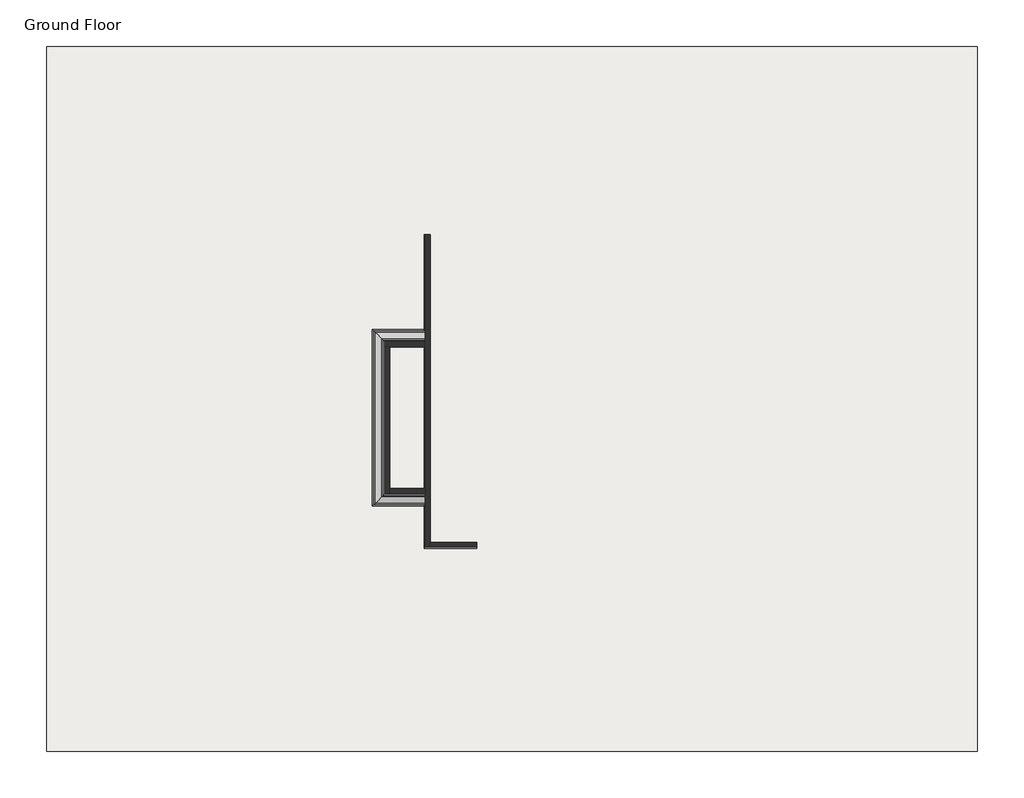
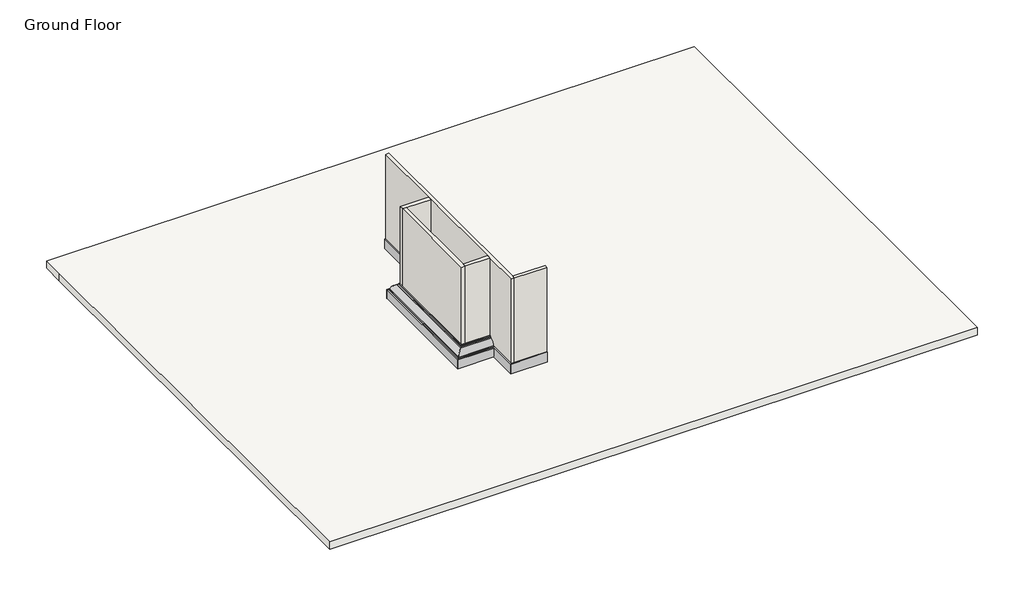
# One storey: 5 proxies, 5 walls, 1 slab.
"""IFC4 building model written with IfcOpenShell, lengths in millimetres."""

from ifc_helpers import new_model, si_unit, frame, origin, origin_with_axes, place, context, project, spatial, polyline, circle_curve, ellipse_curve, outline, extrude, faceted_brep, element, save
from ifc_brep_helpers import plane_surface, cylinder_surface, advanced_brep

model = new_model("IFC4")

# Units and contexts
model_context = context("Model", 3, world=origin())
ifc_project = project(units=[si_unit("LENGTHUNIT", "METRE", prefix="MILLI")], contexts=[model_context])

# Site, building, storey
site = spatial("IfcSite", under=ifc_project)
building = spatial("IfcBuilding", under=site)
storey = spatial("IfcBuildingStorey", under=building, Name="Ground Floor", Elevation=0.0)

# Proxies
placement = place(None, origin())
element("IfcBuildingElementProxy", 1, Name="Wall Sweeps", at=placement, inside=storey, context=model_context, shape_type="AdvancedBrep", body=[
    advanced_brep(
    [(-11875.3150154, 1300.3941233, 10.0), (-11535.3150154, 1640.3941233, 10.0), (-11535.3150154, 1640.3941233, 721.3186825), (-11571.6184873, 1604.0906514, 721.3186825), (-11571.6184873, 1604.0906514, 681.3186825), (-11611.6184873, 1564.0906514, 681.3186825), (-11611.6184873, 1564.0906514, 641.3186825), (-11795.3150154, 1380.3941233, 430.0), (-11835.3150154, 1340.3941233, 430.0), (-11835.3150154, 1340.3941233, 390.0), (-11875.3150154, 1300.3941233, 390.0), (-11875.3150154, 6232.7941233, 10.0), (-11875.3150154, 6232.7941233, 390.0), (-11835.3150154, 6192.7941233, 390.0), (-11835.3150154, 6192.7941233, 430.0), (-11795.3150154, 6152.7941233, 430.0), (-11611.6184873, 5969.0975951, 641.3186825), (-11611.6184873, 5969.0975951, 681.3186825), (-11571.6184873, 5929.0975951, 681.3186825), (-11571.6184873, 5929.0975951, 721.3186825), (-11535.3150154, 5892.7941233, 721.3186825), (-11535.3150154, 5892.7941233, 10.0)],
    [
        (0, 1),
        (1, 2),
        (2, 3),
        (3, 4),
        (4, 5),
        (5, 6),
        (6, 7, ellipse_curve(frame((-11590.9580731, 1584.7510655, 437.8570394), z_axis=(0.7071067811865476, -0.7071067811865476, 0.0), x_axis=(-0.7071067811865476, -0.7071067811865475, 0.0)), 289.2178865, 204.5079288)),
        (7, 8),
        (8, 9),
        (9, 10),
        (10, 0),
        (11, 12),
        (12, 13),
        (13, 14),
        (14, 15),
        (15, 16, ellipse_curve(frame((-11590.9580731, 5948.437181, 437.8570394), z_axis=(0.7071067811865493, 0.7071067811865458, 0.0), x_axis=(0.7071067811865458, -0.7071067811865492, 0.0)), 289.2178865, 204.5079288)),
        (16, 17),
        (17, 18),
        (18, 19),
        (19, 20),
        (20, 21),
        (21, 11),
        (0, 11),
        (21, 1),
        (20, 2),
        (19, 3),
        (18, 4),
        (17, 5),
        (16, 6),
        (15, 7),
        (14, 8),
        (13, 9),
        (12, 10),
    ],
    [
        plane_surface(frame((-11535.3150154, 1640.3941233, 754.8), z_axis=(0.7071067811865476, -0.7071067811865476, 0.0), x_axis=(0.7071067811865476, 0.7071067811865476, 0.0))),
        plane_surface(frame((-11535.3150154, 5892.7941233, 754.8), z_axis=(0.7071067811865493, 0.7071067811865458, 0.0), x_axis=(0.7071067811865458, -0.7071067811865493, 0.0))),
        plane_surface(frame((-11875.3150154, 1300.3941233, 10.0), z_axis=(0.0, 0.0, -1.0), x_axis=(0.0, 1.0, 0.0))),
        plane_surface(frame((-11535.3150154, 1640.3941233, 10.0), z_axis=(1.0, 0.0, 0.0), x_axis=(0.0, 1.0, 0.0))),
        plane_surface(frame((-11535.3150154, 1640.3941233, 721.3186825), z_axis=(0.0, 0.0, 1.0), x_axis=(0.0, 1.0, 0.0))),
        plane_surface(frame((-11571.6184873, 1604.0906514, 721.3186825), z_axis=(-1.0, 0.0, 0.0), x_axis=(0.0, 1.0, 0.0))),
        plane_surface(frame((-11571.6184873, 1604.0906514, 681.3186825), z_axis=(0.0, 0.0, 1.0), x_axis=(0.0, 1.0, 0.0))),
        plane_surface(frame((-11611.6184873, 1564.0906514, 681.3186825), z_axis=(-1.0, 0.0, 0.0), x_axis=(0.0, 1.0, 0.0))),
        cylinder_surface(frame((-11590.9580731, 1640.3941233, 437.8570394), z_axis=(0.0, -1.0, 0.0), x_axis=(-1.0, 0.0, 0.0)), 204.5079288),
        plane_surface(frame((-11795.3150154, 1380.3941233, 430.0), z_axis=(0.0, 0.0, 1.0), x_axis=(0.0, 1.0, 0.0))),
        plane_surface(frame((-11835.3150154, 1340.3941233, 430.0), z_axis=(-1.0, 0.0, 0.0), x_axis=(0.0, 1.0, 0.0))),
        plane_surface(frame((-11835.3150154, 1340.3941233, 390.0), z_axis=(0.0, 0.0, 1.0), x_axis=(0.0, 1.0, 0.0))),
        plane_surface(frame((-11875.3150154, 1300.3941233, 390.0), z_axis=(-1.0, 0.0, 0.0), x_axis=(0.0, 1.0, 0.0))),
    ],
    [
        (0, [[1, 2, 3, 4, 5, 6, 7, 8, 9, 10, 11]]),
        (1, [[12, 13, 14, 15, 16, 17, 18, 19, 20, 21, 22]]),
        (2, [[-1, 23, -22, 24]]),
        (3, [[-2, -24, -21, 25]]),
        (4, [[-3, -25, -20, 26]]),
        (5, [[-4, -26, -19, 27]]),
        (6, [[-5, -27, -18, 28]]),
        (7, [[-6, -28, -17, 29]]),
        (8, [[-7, -29, -16, 30]]),
        (9, [[-8, -30, -15, 31]]),
        (10, [[-9, -31, -14, 32]]),
        (11, [[-10, -32, -13, 33]]),
        (12, [[-11, -33, -12, -23]]),
    ],
),
])
element("IfcBuildingElementProxy", 2, Name="Wall Sweeps", at=placement, inside=storey, context=model_context, shape_type="AdvancedBrep", body=[
    advanced_brep(
    [(-11875.3150154, 1300.3941233, 10.0), (-11875.3150154, 1300.3941233, 390.0), (-11835.3150154, 1340.3941233, 390.0), (-11835.3150154, 1340.3941233, 430.0), (-11795.3150154, 1380.3941233, 430.0), (-11611.6184873, 1564.0906514, 641.3186825), (-11611.6184873, 1564.0906514, 681.3186825), (-11571.6184873, 1604.0906514, 681.3186825), (-11571.6184873, 1604.0906514, 721.3186825), (-11535.3150154, 1640.3941233, 721.3186825), (-11535.3150154, 1640.3941233, 10.0), (-10392.2635093, 1300.3941233, 10.0), (-10392.2635093, 1640.3941233, 10.0), (-10392.2635093, 1640.3941233, 721.3186825), (-10392.2635093, 1604.0906514, 721.3186825), (-10392.2635093, 1604.0906514, 681.3186825), (-10392.2635093, 1564.0906514, 681.3186825), (-10392.2635093, 1564.0906514, 641.3186825), (-10392.2635093, 1380.3941233, 430.0), (-10392.2635093, 1340.3941233, 430.0), (-10392.2635093, 1340.3941233, 390.0), (-10392.2635093, 1300.3941233, 390.0)],
    [
        (0, 1),
        (1, 2),
        (2, 3),
        (3, 4),
        (4, 5, ellipse_curve(frame((-11590.9580731, 1584.7510655, 437.8570394), z_axis=(-0.7071067811865476, 0.7071067811865476, 0.0), x_axis=(-0.7071067811865475, -0.7071067811865476, 0.0)), 289.2178865, 204.5079288)),
        (5, 6),
        (6, 7),
        (7, 8),
        (8, 9),
        (9, 10),
        (10, 0),
        (11, 12),
        (12, 13),
        (13, 14),
        (14, 15),
        (15, 16),
        (16, 17),
        (17, 18, circle_curve(frame((-10392.2635093, 1584.7510655, 437.8570394), z_axis=(1.0, 0.0, 0.0), x_axis=(0.0, -1.0, 0.0)), 204.5079288)),
        (18, 19),
        (19, 20),
        (20, 21),
        (21, 11),
        (10, 12),
        (11, 0),
        (9, 13),
        (8, 14),
        (7, 15),
        (6, 16),
        (5, 17),
        (4, 18),
        (3, 19),
        (2, 20),
        (1, 21),
    ],
    [
        plane_surface(frame((-11535.3150154, 1640.3941233, 145.2), z_axis=(-0.7071067811865476, 0.7071067811865476, 0.0), x_axis=(0.7071067811865476, 0.7071067811865476, 0.0))),
        plane_surface(frame((-10392.2635093, 1640.3941233, -106.057551), z_axis=(1.0, 0.0, 0.0), x_axis=(0.0, 1.0, 0.0))),
        plane_surface(frame((-11535.3150154, 1640.3941233, 10.0), z_axis=(0.0, 0.0, -1.0), x_axis=(1.0, 0.0, 0.0))),
        plane_surface(frame((-11535.3150154, 1640.3941233, 721.3186825), z_axis=(0.0, 1.0, 0.0), x_axis=(1.0, 0.0, 0.0))),
        plane_surface(frame((-11571.6184873, 1604.0906514, 721.3186825), z_axis=(0.0, 0.0, 1.0), x_axis=(1.0, 0.0, 0.0))),
        plane_surface(frame((-11571.6184873, 1604.0906514, 681.3186825), z_axis=(0.0, -1.0, 0.0), x_axis=(1.0, 0.0, 0.0))),
        plane_surface(frame((-11611.6184873, 1564.0906514, 681.3186825), z_axis=(0.0, 0.0, 1.0), x_axis=(1.0, 0.0, 0.0))),
        plane_surface(frame((-11611.6184873, 1564.0906514, 641.3186825), z_axis=(0.0, -1.0, 0.0), x_axis=(1.0, 0.0, 0.0))),
        cylinder_surface(frame((-11535.3150154, 1584.7510655, 437.8570394), z_axis=(-1.0, 0.0, 0.0), x_axis=(0.0, -1.0, 0.0)), 204.5079288),
        plane_surface(frame((-11835.3150154, 1340.3941233, 430.0), z_axis=(0.0, 0.0, 1.0), x_axis=(1.0, 0.0, 0.0))),
        plane_surface(frame((-11835.3150154, 1340.3941233, 390.0), z_axis=(0.0, -1.0, 0.0), x_axis=(1.0, 0.0, 0.0))),
        plane_surface(frame((-11875.3150154, 1300.3941233, 390.0), z_axis=(0.0, 0.0, 1.0), x_axis=(1.0, 0.0, 0.0))),
        plane_surface(frame((-11875.3150154, 1300.3941233, 10.0), z_axis=(0.0, -1.0, 0.0), x_axis=(1.0, 0.0, 0.0))),
    ],
    [
        (0, [[1, 2, 3, 4, 5, 6, 7, 8, 9, 10, 11]]),
        (1, [[12, 13, 14, 15, 16, 17, 18, 19, 20, 21, 22]]),
        (2, [[-11, 23, -12, 24]]),
        (3, [[-10, 25, -13, -23]]),
        (4, [[-9, 26, -14, -25]]),
        (5, [[-8, 27, -15, -26]]),
        (6, [[-7, 28, -16, -27]]),
        (7, [[-6, 29, -17, -28]]),
        (8, [[-5, 30, -18, -29]]),
        (9, [[-4, 31, -19, -30]]),
        (10, [[-3, 32, -20, -31]]),
        (11, [[-2, 33, -21, -32]]),
        (12, [[-1, -24, -22, -33]]),
    ],
),
])
element("IfcBuildingElementProxy", 3, Name="Wall Sweeps", at=placement, inside=storey, context=model_context, shape_type="AdvancedBrep", body=[
    advanced_brep(
    [(-10392.2635093, 6232.7941233, 10.0), (-10392.2635093, 6232.7941233, 390.0), (-10392.2635093, 6192.7941233, 390.0), (-10392.2635093, 6192.7941233, 430.0), (-10392.2635093, 6152.7941233, 430.0), (-10392.2635093, 5969.0975951, 641.3186825), (-10392.2635093, 5969.0975951, 681.3186825), (-10392.2635093, 5929.0975951, 681.3186825), (-10392.2635093, 5929.0975951, 721.3186825), (-10392.2635093, 5892.7941233, 721.3186825), (-10392.2635093, 5892.7941233, 10.0), (-11875.3150154, 6232.7941233, 10.0), (-11535.3150154, 5892.7941233, 10.0), (-11535.3150154, 5892.7941233, 721.3186825), (-11571.6184873, 5929.0975951, 721.3186825), (-11571.6184873, 5929.0975951, 681.3186825), (-11611.6184873, 5969.0975951, 681.3186825), (-11611.6184873, 5969.0975951, 641.3186825), (-11795.3150154, 6152.7941233, 430.0), (-11835.3150154, 6192.7941233, 430.0), (-11835.3150154, 6192.7941233, 390.0), (-11875.3150154, 6232.7941233, 390.0)],
    [
        (0, 1),
        (1, 2),
        (2, 3),
        (3, 4),
        (4, 5, circle_curve(frame((-10392.2635093, 5948.437181, 437.8570394), z_axis=(1.0, 0.0, 0.0), x_axis=(0.0, 1.0, 0.0)), 204.5079288)),
        (5, 6),
        (6, 7),
        (7, 8),
        (8, 9),
        (9, 10),
        (10, 0),
        (11, 12),
        (12, 13),
        (13, 14),
        (14, 15),
        (15, 16),
        (16, 17),
        (17, 18, ellipse_curve(frame((-11590.9580731, 5948.437181, 437.8570394), z_axis=(-0.7071067811865493, -0.7071067811865458, 0.0), x_axis=(0.7071067811865456, -0.7071067811865493, 0.0)), 289.2178865, 204.5079288)),
        (18, 19),
        (19, 20),
        (20, 21),
        (21, 11),
        (10, 12),
        (11, 0),
        (9, 13),
        (8, 14),
        (7, 15),
        (6, 16),
        (5, 17),
        (4, 18),
        (3, 19),
        (2, 20),
        (1, 21),
    ],
    [
        plane_surface(frame((-10392.2635093, 5892.7941233, -106.057551), z_axis=(1.0, 0.0, 0.0), x_axis=(0.0, -1.0, 0.0))),
        plane_surface(frame((-11535.3150154, 5892.7941233, 145.2), z_axis=(-0.7071067811865493, -0.7071067811865458, 0.0), x_axis=(0.7071067811865458, -0.7071067811865493, 0.0))),
        plane_surface(frame((-10392.2635093, 5892.7941233, 10.0), z_axis=(0.0, 0.0, -1.0), x_axis=(-1.0, 0.0, 0.0))),
        plane_surface(frame((-10392.2635093, 5892.7941233, 721.3186825), z_axis=(0.0, -1.0, 0.0), x_axis=(-1.0, 0.0, 0.0))),
        plane_surface(frame((-10392.2635093, 5929.0975951, 721.3186825), z_axis=(0.0, 0.0, 1.0), x_axis=(-1.0, 0.0, 0.0))),
        plane_surface(frame((-10392.2635093, 5929.0975951, 681.3186825), z_axis=(0.0, 1.0, 0.0), x_axis=(-1.0, 0.0, 0.0))),
        plane_surface(frame((-10392.2635093, 5969.0975951, 681.3186825), z_axis=(0.0, 0.0, 1.0), x_axis=(-1.0, 0.0, 0.0))),
        plane_surface(frame((-10392.2635093, 5969.0975951, 641.3186825), z_axis=(0.0, 1.0, 0.0), x_axis=(-1.0, 0.0, 0.0))),
        cylinder_surface(frame((-10392.2635093, 5948.437181, 437.8570394), z_axis=(1.0, 0.0, 0.0), x_axis=(0.0, 1.0, 0.0)), 204.5079288),
        plane_surface(frame((-10392.2635093, 6192.7941233, 430.0), z_axis=(0.0, 0.0, 1.0), x_axis=(-1.0, 0.0, 0.0))),
        plane_surface(frame((-10392.2635093, 6192.7941233, 390.0), z_axis=(0.0, 1.0, 0.0), x_axis=(-1.0, 0.0, 0.0))),
        plane_surface(frame((-10392.2635093, 6232.7941233, 390.0), z_axis=(0.0, 0.0, 1.0), x_axis=(-1.0, 0.0, 0.0))),
        plane_surface(frame((-10392.2635093, 6232.7941233, 10.0), z_axis=(0.0, 1.0, 0.0), x_axis=(-1.0, 0.0, 0.0))),
    ],
    [
        (0, [[1, 2, 3, 4, 5, 6, 7, 8, 9, 10, 11]]),
        (1, [[12, 13, 14, 15, 16, 17, 18, 19, 20, 21, 22]]),
        (2, [[-11, 23, -12, 24]]),
        (3, [[-10, 25, -13, -23]]),
        (4, [[-9, 26, -14, -25]]),
        (5, [[-8, 27, -15, -26]]),
        (6, [[-7, 28, -16, -27]]),
        (7, [[-6, 29, -17, -28]]),
        (8, [[-5, 30, -18, -29]]),
        (9, [[-4, 31, -19, -30]]),
        (10, [[-3, 32, -20, -31]]),
        (11, [[-2, 33, -21, -32]]),
        (12, [[-1, -24, -22, -33]]),
    ],
),
])
element("IfcBuildingElementProxy", 4, Name="Wall Sweeps", at=placement, inside=storey, context=model_context, shape_type="SweptSolid", body=[
    extrude(outline(polyline([(-10432.2635093, 8892.7941233), (-10392.2635093, 8892.7941233), (-10392.2635093, 156.2941233), (-10432.2635093, 116.2941233), (-10432.2635093, 8892.7941233)])), origin_with_axes(), (0.0, 0.0, 1.0), 420.0),
])
element("IfcBuildingElementProxy", 5, Name="Wall Sweeps", at=placement, inside=storey, context=model_context, shape_type="Brep", body=[
    faceted_brep([(-8965.2635093, 116.2941233, 0.0), (-8965.2635093, 156.2941233, 0.0), (-8965.2635093, 156.2941233, 420.0), (-8965.2635093, 116.2941233, 420.0), (-10432.2635093, 116.2941233, 0.0), (-10432.2635093, 116.2941233, 420.0), (-10392.2635093, 156.2941233, 420.0), (-10392.2635093, 156.2941233, 0.0), (-10265.2635093, 156.2941233, 0.0)], [[[0, 1, 2, 3]], [[4, 5, 6, 7]], [[1, 0, 4, 7, 8]], [[2, 1, 8, 7, 6]], [[3, 2, 6, 5]], [[0, 3, 5, 4]]]),
])

# Slab
element("IfcSlab", 6, ObjectType="Generic - 12\"", at=placement, inside=storey, context=model_context, shape_type="SweptSolid", body=[
    extrude(outline(polyline([(-20975.1696799, -5555.2855376), (-20975.1696799, 13244.7144624), (-20975.1696799, 14144.7144624), (5024.8303201, 14144.7144624), (5024.8303201, -5555.2855376), (-20975.1696799, -5555.2855376)])), frame((0.0, 0.0, -304.8), z_axis=(0.0, 0.0, 1.0), x_axis=(1.0, 0.0, 0.0)), (0.0, 0.0, 1.0), 304.8),
])

# Walls
element("IfcWall", 7, ObjectType="Generic - 5\"", at=placement, inside=storey, context=model_context, shape_type="Brep", body=[
    faceted_brep([(-10392.2635093, 8892.7941233, 0.0), (-10392.2635093, 5892.7941233, 0.0), (-10392.2635093, 5740.3941233, 0.0), (-10392.2635093, 1792.7941233, 0.0), (-10392.2635093, 1640.3941233, 0.0), (-10392.2635093, 156.2941233, 0.0), (-10392.2635093, 156.2941233, 420.0), (-10392.2635093, 156.2941233, 4000.0), (-10392.2635093, 1640.3941233, 4000.0), (-10392.2635093, 1792.7941233, 4000.0), (-10392.2635093, 5740.3941233, 4000.0), (-10392.2635093, 5892.7941233, 4000.0), (-10392.2635093, 8892.7941233, 4000.0), (-10392.2635093, 8892.7941233, 420.0), (-10265.2635093, 156.2941233, 0.0), (-10265.2635093, 283.2941233, 0.0), (-10265.2635093, 8892.7941233, 0.0), (-10265.2635093, 8892.7941233, 4000.0), (-10265.2635093, 283.2941233, 4000.0), (-10265.2635093, 156.2941233, 4000.0), (-10265.2635093, 156.2941233, 420.0)], [[[0, 1, 2, 3, 4, 5, 6, 7, 8, 9, 10, 11, 12, 13]], [[14, 15, 16, 17, 18, 19, 20]], [[5, 4, 3, 2, 1, 0, 16, 15, 14]], [[12, 11, 10, 9, 8, 7, 19, 18, 17]], [[17, 16, 0, 13, 12]], [[5, 14, 20, 19, 7, 6]]]),
])
element("IfcWall", 8, ObjectType="Generic - 5\"", at=placement, inside=storey, context=model_context, shape_type="Brep", body=[
    faceted_brep([(-8965.2635093, 283.2941233, 0.0), (-10265.2635093, 283.2941233, 0.0), (-10265.2635093, 283.2941233, 4000.0), (-8965.2635093, 283.2941233, 4000.0), (-10265.2635093, 156.2941233, 0.0), (-8965.2635093, 156.2941233, 0.0), (-8965.2635093, 156.2941233, 420.0), (-8965.2635093, 156.2941233, 4000.0), (-10265.2635093, 156.2941233, 4000.0), (-10265.2635093, 156.2941233, 420.0)], [[[0, 1, 2, 3]], [[4, 5, 6, 7, 8, 9]], [[1, 0, 5, 4]], [[3, 2, 8, 7]], [[0, 3, 7, 6, 5]], [[2, 1, 4, 9, 8]]]),
])
element("IfcWall", 9, ObjectType="Generic - 6\"", at=placement, inside=storey, context=model_context, shape_type="Brep", body=[
    faceted_brep([(-11382.9150154, 1640.3941233, 0.0), (-11382.9150154, 1792.7941233, 0.0), (-11382.9150154, 5740.3941233, 0.0), (-11382.9150154, 5740.3941233, 4000.0), (-11382.9150154, 1792.7941233, 4000.0), (-11382.9150154, 1640.3941233, 4000.0), (-11535.3150154, 1640.3941233, 0.0), (-11535.3150154, 1640.3941233, 4000.0), (-11535.3150154, 5740.3941233, 4000.0), (-11535.3150154, 5740.3941233, 0.0)], [[[0, 1, 2, 3, 4, 5]], [[6, 7, 8, 9]], [[2, 1, 0, 6, 9]], [[5, 4, 3, 8, 7]], [[0, 5, 7, 6]], [[3, 2, 9, 8]]]),
])
element("IfcWall", 10, ObjectType="Generic - 6\"", at=placement, inside=storey, context=model_context, shape_type="Brep", body=[
    faceted_brep([(-11382.9150154, 1640.3941233, 0.0), (-10392.2635093, 1640.3941233, 0.0), (-10392.2635093, 1640.3941233, 10.0), (-10392.2635093, 1640.3941233, 721.3186825), (-10392.2635093, 1640.3941233, 4000.0), (-11382.9150154, 1640.3941233, 4000.0), (-11382.9150154, 1792.7941233, 0.0), (-11382.9150154, 1792.7941233, 4000.0), (-10392.2635093, 1792.7941233, 4000.0), (-10392.2635093, 1792.7941233, 0.0)], [[[0, 1, 2, 3, 4, 5]], [[6, 7, 8, 9]], [[1, 0, 6, 9]], [[5, 4, 8, 7]], [[0, 5, 7, 6]], [[4, 3, 2, 1, 9, 8]]]),
])
element("IfcWall", 11, ObjectType="Generic - 6\"", at=placement, inside=storey, context=model_context, shape_type="Brep", body=[
    faceted_brep([(-10392.2635093, 5892.7941233, 0.0), (-11535.3150154, 5892.7941233, 0.0), (-11535.3150154, 5892.7941233, 4000.0), (-10392.2635093, 5892.7941233, 4000.0), (-10392.2635093, 5892.7941233, 721.3186825), (-10392.2635093, 5892.7941233, 10.0), (-10392.2635093, 5740.3941233, 0.0), (-10392.2635093, 5740.3941233, 4000.0), (-11382.9150154, 5740.3941233, 4000.0), (-11535.3150154, 5740.3941233, 4000.0), (-11535.3150154, 5740.3941233, 0.0), (-11382.9150154, 5740.3941233, 0.0)], [[[0, 1, 2, 3, 4, 5]], [[6, 7, 8, 9, 10, 11]], [[1, 0, 6, 11, 10]], [[3, 2, 9, 8, 7]], [[0, 5, 4, 3, 7, 6]], [[2, 1, 10, 9]]]),
])

save(model, "model.ifc")
